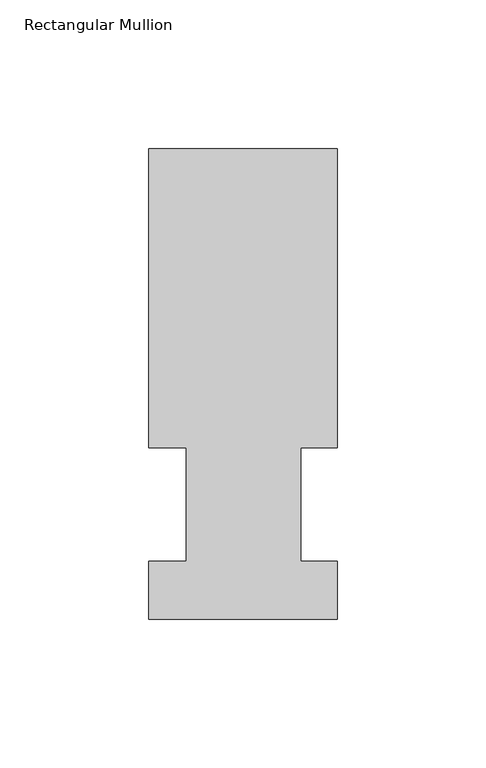
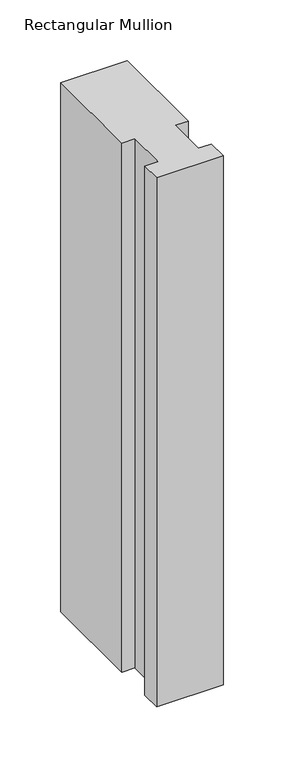
"""IFC4 building model written with IfcOpenShell, lengths in millimetres: member geometry, Rectangular Mullion."""

import ifcopenshell
import ifcopenshell.guid

model = None  # the IFC model being written
_history = None  # IfcOwnerHistory: only IFC2X3 demands one
_inside = {}  # id of a spatial element -> (the spatial element, [elements in it])
_under = {}  # id of a project, library or spatial element -> (it, [spatial elements below it])
_declared = {}  # id of a project -> (the project, [libraries it declares])
_typed = {}  # id of a type object -> (the type object, [elements of that type])
_made_of = {}  # id of a material, layer set ... -> (it, [elements and type objects made of it])


def new_model(schema):
    """Start an empty IFC model of exactly this schema.

    Asked for "IFC4X3", IfcOpenShell would pick the latest addendum, in which some entities
    have other attributes; the version numbers below select the first issue.
    IFC2X3 requires an IfcOwnerHistory on every rooted entity: one is made here for all.
    """
    global model, _history
    if schema == "IFC4X3":
        model = ifcopenshell.file(schema_version=(4, 3, 0, 0))
    else:
        model = ifcopenshell.file(schema=schema)
    _inside.clear()
    _under.clear()
    _declared.clear()
    _typed.clear()
    _made_of.clear()
    _history = None
    if model.schema == "IFC2X3":
        org = make("IfcOrganization", Name="unknown")
        user = make(
            "IfcPersonAndOrganization",
            ThePerson=make("IfcPerson", FamilyName="unknown"),
            TheOrganization=org,
        )
        app = make(
            "IfcApplication",
            ApplicationDeveloper=org,
            Version="unknown",
            ApplicationFullName="unknown",
            ApplicationIdentifier="unknown",
        )
        _history = make(
            "IfcOwnerHistory",
            OwningUser=user,
            OwningApplication=app,
            ChangeAction="ADDED",
            CreationDate=0,
        )
    return model


def make(cls, **values):
    """One entity of the class cls with the attributes given. An attribute that is None is left unset."""
    return model.create_entity(
        cls, **{name: value for name, value in values.items() if value is not None}
    )


def rooted(cls, **values):
    """An entity with a GlobalId (a new one), such as an element, a storey or a relation."""
    return make(cls, GlobalId=ifcopenshell.guid.new(), OwnerHistory=_history, **values)


def si_unit(unit_type, name, prefix=None):
    """IfcSIUnit, for example si_unit("LENGTHUNIT", "METRE", prefix="MILLI")."""
    return make("IfcSIUnit", UnitType=unit_type, Prefix=prefix, Name=name)


def assignment(units):
    """IfcUnitAssignment: the units of a project."""
    return None if units is None else make("IfcUnitAssignment", Units=units)


def point(xyz):
    """IfcCartesianPoint."""
    return None if xyz is None else make("IfcCartesianPoint", Coordinates=xyz)


def direction(xyz):
    """IfcDirection."""
    return None if xyz is None else make("IfcDirection", DirectionRatios=xyz)


def frame(location, z_axis=None, x_axis=None):
    """IfcAxis2Placement3D, a coordinate frame: its origin and axes. An axis left out is left unset."""
    return make(
        "IfcAxis2Placement3D",
        Location=point(location),
        Axis=direction(z_axis),
        RefDirection=direction(x_axis),
    )


def origin():
    """The frame at (0, 0, 0) with its axes left unset."""
    return frame((0.0, 0.0, 0.0))


def place(relative_to, where):
    """IfcLocalPlacement: puts the frame where relative to a parent placement (None: the world)."""
    return make(
        "IfcLocalPlacement", PlacementRelTo=relative_to, RelativePlacement=where
    )


def context(
    kind, dimensions, precision=None, world=None, true_north=None, identifier=None
):
    """IfcGeometricRepresentationContext, for example the 3D "Model" context."""
    return make(
        "IfcGeometricRepresentationContext",
        ContextIdentifier=identifier,
        ContextType=kind,
        CoordinateSpaceDimension=dimensions,
        Precision=precision,
        WorldCoordinateSystem=world,
        TrueNorth=true_north,
    )


def project(units=None, contexts=None):
    """IfcProject with its units and contexts."""
    return rooted(
        "IfcProject",
        Name="project",
        RepresentationContexts=contexts,
        UnitsInContext=assignment(units),
    )


def spatial(cls, under=None, at=None, **own):
    """A site, building, storey or space (cls), placed at a placement, below another one or the project."""
    s = rooted(cls, ObjectPlacement=at, **own)
    if under is not None:
        _under.setdefault(under.id(), (under, []))[1].append(s)
    return s


def polyline(points):
    """IfcPolyline through the points."""
    return make("IfcPolyline", Points=[point(p) for p in points])


def outline(outer, holes=None, kind="AREA"):
    """IfcArbitraryClosedProfileDef: a profile drawn as a closed curve; with holes, ...WithVoids."""
    if holes is None:
        return make("IfcArbitraryClosedProfileDef", ProfileType=kind, OuterCurve=outer)
    return make(
        "IfcArbitraryProfileDefWithVoids",
        ProfileType=kind,
        OuterCurve=outer,
        InnerCurves=holes,
    )


def extrude(swept, where, along, depth):
    """IfcExtrudedAreaSolid: the profile swept, set in the frame where, extruded along a direction by depth."""
    return make(
        "IfcExtrudedAreaSolid",
        SweptArea=swept,
        Position=where,
        ExtrudedDirection=direction(along),
        Depth=depth,
    )


def shape(context_of_items, identifier, shape_type, items):
    """IfcShapeRepresentation: the items that make up one representation, for example the "Body"."""
    return make(
        "IfcShapeRepresentation",
        ContextOfItems=context_of_items,
        RepresentationIdentifier=identifier,
        RepresentationType=shape_type,
        Items=items,
    )


def source(mapping_origin, context_of_items, identifier, shape_type, items):
    """IfcRepresentationMap: a shape defined once, which mapped items show again and again."""
    return make(
        "IfcRepresentationMap",
        MappingOrigin=mapping_origin,
        MappedRepresentation=shape(context_of_items, identifier, shape_type, items),
    )


def transform(
    local_origin,
    x_axis=None,
    y_axis=None,
    z_axis=None,
    scale=None,
    scale2=None,
    scale3=None,
    uniform=True,
):
    """IfcCartesianTransformationOperator3D, or its non-uniform kind. x_axis, y_axis, z_axis: its Axis1, 2, 3."""
    if uniform:
        return make(
            "IfcCartesianTransformationOperator3D",
            Axis1=direction(x_axis),
            Axis2=direction(y_axis),
            LocalOrigin=point(local_origin),
            Scale=scale,
            Axis3=direction(z_axis),
        )
    return make(
        "IfcCartesianTransformationOperator3DnonUniform",
        Axis1=direction(x_axis),
        Axis2=direction(y_axis),
        LocalOrigin=point(local_origin),
        Scale=scale,
        Axis3=direction(z_axis),
        Scale2=scale2,
        Scale3=scale3,
    )


def mapped(mapping_source, mapping_target):
    """IfcMappedItem: shows the shape of a source again, moved by a transform."""
    return make(
        "IfcMappedItem", MappingSource=mapping_source, MappingTarget=mapping_target
    )


def made_of(thing, what):
    """Note that an element or type object is made of a material, layer set ...; save() writes the relation."""
    if what is not None:
        _made_of.setdefault(what.id(), (what, []))[1].append(thing)
    return thing


def element(
    cls,
    number,
    at=None,
    inside=None,
    cuts=None,
    type_object=None,
    material=None,
    context=None,
    identifier="Body",
    shape_type=None,
    held_by="IfcProductDefinitionShape",
    body=None,
    shapes=None,
    **own,
):
    """One element of the class cls, such as IfcWall. Its Tag is "e" and its number.

    at: its placement. inside: the storey or other place that contains it. cuts: it is an
    opening in that element (IfcRelVoidsElement). A single representation is given by context,
    identifier, shape_type and body (its items); several are given by shapes. held_by: the class
    of the entity that holds the representations. save() writes the other relations.
    """
    e = rooted(cls, Tag="e%d" % number, ObjectPlacement=at, **own)
    if body is not None:
        shapes = [shape(context, identifier, shape_type, body)]
    if shapes is not None:
        e.Representation = make(held_by, Representations=shapes)
    if inside is not None:
        _inside.setdefault(inside.id(), (inside, []))[1].append(e)
    if cuts is not None:
        rooted(
            "IfcRelVoidsElement", RelatingBuildingElement=cuts, RelatedOpeningElement=e
        )
    if type_object is not None:
        _typed.setdefault(type_object.id(), (type_object, []))[1].append(e)
    return made_of(e, material)


def aggregate(whole, parts):
    """IfcRelAggregates: a whole, such as a stair, and the parts it consists of."""
    return rooted("IfcRelAggregates", RelatingObject=whole, RelatedObjects=parts)


def save(model, path):
    """Write the relations noted so far, then the file.

    IfcRelAggregates (storeys below a building ...), IfcRelContainedInSpatialStructure (elements
    in a storey), IfcRelDefinesByType, IfcRelAssociatesMaterial and IfcRelDeclares: one each for
    every whole, place, type object, material and project.
    """
    for whole, parts in _under.values():
        aggregate(whole, parts)
    for where, things in _inside.values():
        rooted(
            "IfcRelContainedInSpatialStructure",
            RelatedElements=things,
            RelatingStructure=where,
        )
    for kind, things in _typed.values():
        rooted("IfcRelDefinesByType", RelatedObjects=things, RelatingType=kind)
    for what, things in _made_of.values():
        rooted("IfcRelAssociatesMaterial", RelatedObjects=things, RelatingMaterial=what)
    for by, libraries in _declared.values():
        rooted("IfcRelDeclares", RelatingContext=by, RelatedDefinitions=libraries)
    model.write(path)


def rectangular_mullion_c1914632(model_context):
    return source(origin(), model_context, "Body", "SweptSolid", [
        extrude(outline(polyline([(-63.5, 57.6460937), (-63.5, 158.3316937), (0.0, 158.3316937), (0.0, 57.6460937), (-12.3418395, 57.6460937), (-12.3418395, 19.5460937), (0.0, 19.5460937), (0.0, 0.0134937), (-63.5, 0.0134937), (-63.5, 19.5460937), (-50.8, 19.5460937), (-50.8, 57.6460937), (-63.5, 57.6460937)])), frame((0.0, 0.0, -533.36825), z_axis=(0.0, 0.0, 1.0), x_axis=(1.0, 0.0, 0.0)), (0.0, 0.0, 1.0), 533.36825),
    ])


if __name__ == "__main__":
    model = new_model("IFC4")
    model_context = context("Model", 3, world=origin())
    ifc_project = project(units=[si_unit("LENGTHUNIT", "METRE", prefix="MILLI")], contexts=[model_context])
    site = spatial("IfcSite", under=ifc_project)
    building = spatial("IfcBuilding", under=site)
    placement = place(None, origin())
    rectangular_mullion_shape = rectangular_mullion_c1914632(model_context)
    element("IfcMember", 1, ObjectType="Rectangular Mullion", at=placement, inside=building, context=model_context, shape_type="MappedRepresentation", body=[
        mapped(rectangular_mullion_shape, transform((0.0, 0.0, 0.0), x_axis=(1.0, 0.0, 0.0), y_axis=(0.0, 1.0, 0.0), z_axis=(0.0, 0.0, 1.0))),
    ])
    save(model, "model.ifc")
